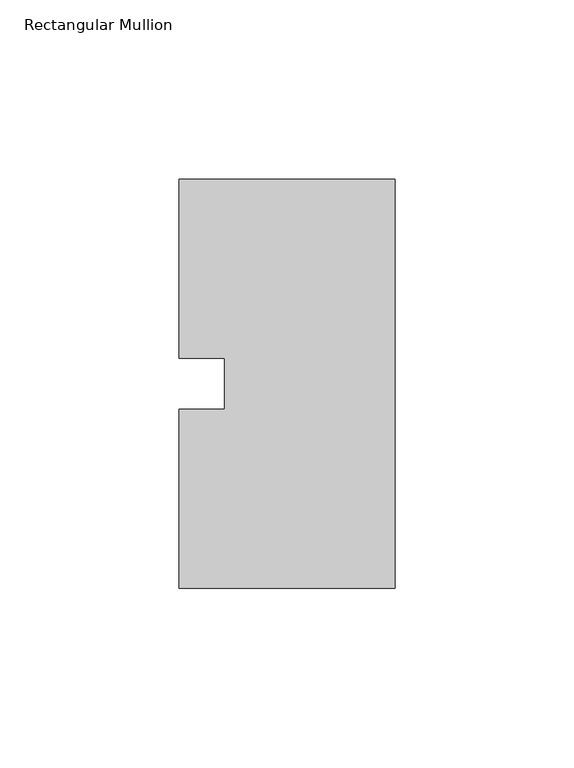
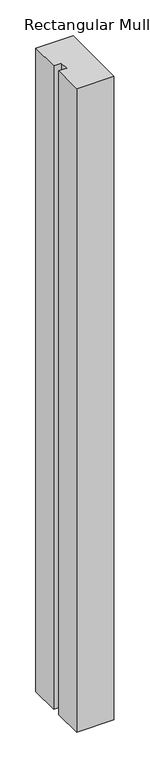
"""IFC4 building model written with IfcOpenShell, lengths in millimetres: member geometry, Rectangular Mullion."""

from ifc_helpers import new_model, si_unit, frame, origin, place, context, project, spatial, polyline, outline, extrude, source, transform, mapped, element, save


def rectangular_mullion_afcbdc26(model_context):
    return source(origin(), model_context, "Body", "SweptSolid", [
        extrude(outline(polyline([(-60.325, 57.15), (0.0, 57.15), (0.0, -57.15), (-60.325, -57.15), (-60.325, -7.14375), (-47.6232296, -7.14375), (-47.6232296, 7.14375), (-60.325, 7.14375), (-60.325, 57.15)])), frame((0.0, 0.0, -1099.7094027), z_axis=(0.0, 0.0, 1.0), x_axis=(1.0, 0.0, 0.0)), (0.0, 0.0, 1.0), 1099.7094027),
    ])


if __name__ == "__main__":
    model = new_model("IFC4")
    model_context = context("Model", 3, world=origin())
    ifc_project = project(units=[si_unit("LENGTHUNIT", "METRE", prefix="MILLI")], contexts=[model_context])
    site = spatial("IfcSite", under=ifc_project)
    building = spatial("IfcBuilding", under=site)
    placement = place(None, origin())
    rectangular_mullion_shape = rectangular_mullion_afcbdc26(model_context)
    element("IfcMember", 1, ObjectType="Rectangular Mullion", at=placement, inside=building, context=model_context, shape_type="MappedRepresentation", body=[
        mapped(rectangular_mullion_shape, transform((0.0, 0.0, 0.0), x_axis=(1.0, 0.0, 0.0), y_axis=(0.0, 1.0, 0.0), z_axis=(0.0, 0.0, 1.0))),
    ])
    save(model, "model.ifc")
